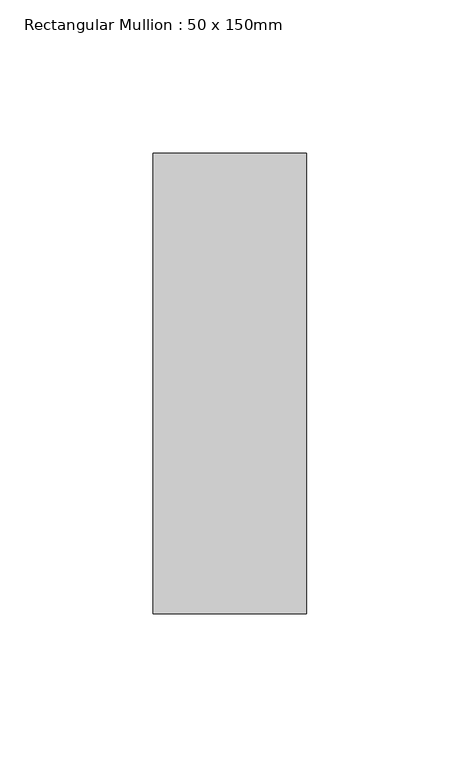
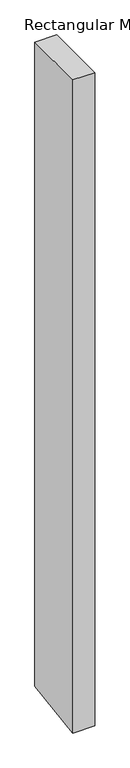
"""IFC4 building model written with IfcOpenShell, lengths in millimetres: member geometry, Rectangular Mullion : 50 x 150mm."""

from ifc_helpers import new_model, si_unit, frame, origin, place, context, project, spatial, polyline, outline, extrude, source, transform, mapped, element, save


def rectangular_mullion_50_x_150mm_e736ac41(model_context):
    return source(origin(), model_context, "Body", "SweptSolid", [
        extrude(outline(polyline([(-75.0, 0.0), (75.0, 0.0), (75.0, -1552.0277765), (-75.0, -1574.2236182), (-75.0, 0.0)])), frame((-50.0, 0.0, 0.0), z_axis=(1.0, 0.0, 0.0), x_axis=(0.0, 1.0, 0.0)), (0.0, 0.0, 1.0), 50.0),
    ])


if __name__ == "__main__":
    model = new_model("IFC4")
    model_context = context("Model", 3, world=origin())
    ifc_project = project(units=[si_unit("LENGTHUNIT", "METRE", prefix="MILLI")], contexts=[model_context])
    site = spatial("IfcSite", under=ifc_project)
    building = spatial("IfcBuilding", under=site)
    placement = place(None, origin())
    rectangular_mullion_50_x_150mm_shape = rectangular_mullion_50_x_150mm_e736ac41(model_context)
    element("IfcMember", 1, ObjectType="Rectangular Mullion : 50 x 150mm", at=placement, inside=building, context=model_context, shape_type="MappedRepresentation", body=[
        mapped(rectangular_mullion_50_x_150mm_shape, transform((0.0, 0.0, 0.0), x_axis=(1.0, 0.0, 0.0), y_axis=(0.0, 1.0, 0.0), z_axis=(0.0, 0.0, 1.0))),
    ])
    save(model, "model.ifc")
